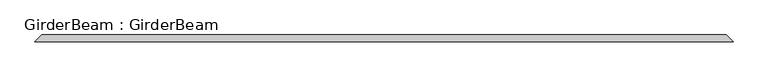
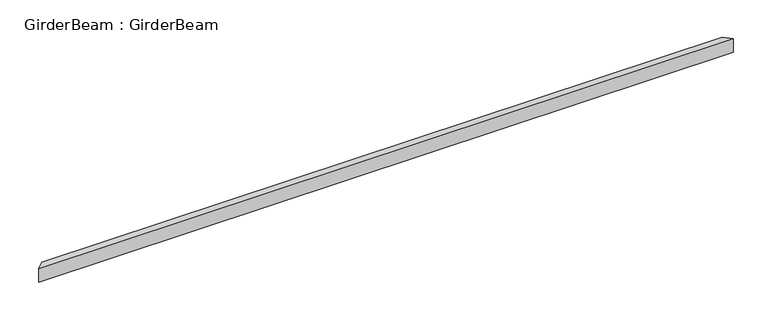
"""IFC4 building model written with IfcOpenShell, lengths in millimetres: beam geometry, GirderBeam : GirderBeam."""

import ifcopenshell
import ifcopenshell.guid

model = None  # the IFC model being written
_history = None  # IfcOwnerHistory: only IFC2X3 demands one
_inside = {}  # id of a spatial element -> (the spatial element, [elements in it])
_under = {}  # id of a project, library or spatial element -> (it, [spatial elements below it])
_declared = {}  # id of a project -> (the project, [libraries it declares])
_typed = {}  # id of a type object -> (the type object, [elements of that type])
_made_of = {}  # id of a material, layer set ... -> (it, [elements and type objects made of it])


def new_model(schema):
    """Start an empty IFC model of exactly this schema.

    Asked for "IFC4X3", IfcOpenShell would pick the latest addendum, in which some entities
    have other attributes; the version numbers below select the first issue.
    IFC2X3 requires an IfcOwnerHistory on every rooted entity: one is made here for all.
    """
    global model, _history
    if schema == "IFC4X3":
        model = ifcopenshell.file(schema_version=(4, 3, 0, 0))
    else:
        model = ifcopenshell.file(schema=schema)
    _inside.clear()
    _under.clear()
    _declared.clear()
    _typed.clear()
    _made_of.clear()
    _history = None
    if model.schema == "IFC2X3":
        org = make("IfcOrganization", Name="unknown")
        user = make(
            "IfcPersonAndOrganization",
            ThePerson=make("IfcPerson", FamilyName="unknown"),
            TheOrganization=org,
        )
        app = make(
            "IfcApplication",
            ApplicationDeveloper=org,
            Version="unknown",
            ApplicationFullName="unknown",
            ApplicationIdentifier="unknown",
        )
        _history = make(
            "IfcOwnerHistory",
            OwningUser=user,
            OwningApplication=app,
            ChangeAction="ADDED",
            CreationDate=0,
        )
    return model


def make(cls, **values):
    """One entity of the class cls with the attributes given. An attribute that is None is left unset."""
    return model.create_entity(
        cls, **{name: value for name, value in values.items() if value is not None}
    )


def rooted(cls, **values):
    """An entity with a GlobalId (a new one), such as an element, a storey or a relation."""
    return make(cls, GlobalId=ifcopenshell.guid.new(), OwnerHistory=_history, **values)


def si_unit(unit_type, name, prefix=None):
    """IfcSIUnit, for example si_unit("LENGTHUNIT", "METRE", prefix="MILLI")."""
    return make("IfcSIUnit", UnitType=unit_type, Prefix=prefix, Name=name)


def assignment(units):
    """IfcUnitAssignment: the units of a project."""
    return None if units is None else make("IfcUnitAssignment", Units=units)


def point(xyz):
    """IfcCartesianPoint."""
    return None if xyz is None else make("IfcCartesianPoint", Coordinates=xyz)


def direction(xyz):
    """IfcDirection."""
    return None if xyz is None else make("IfcDirection", DirectionRatios=xyz)


def frame(location, z_axis=None, x_axis=None):
    """IfcAxis2Placement3D, a coordinate frame: its origin and axes. An axis left out is left unset."""
    return make(
        "IfcAxis2Placement3D",
        Location=point(location),
        Axis=direction(z_axis),
        RefDirection=direction(x_axis),
    )


def origin():
    """The frame at (0, 0, 0) with its axes left unset."""
    return frame((0.0, 0.0, 0.0))


def place(relative_to, where):
    """IfcLocalPlacement: puts the frame where relative to a parent placement (None: the world)."""
    return make(
        "IfcLocalPlacement", PlacementRelTo=relative_to, RelativePlacement=where
    )


def context(
    kind, dimensions, precision=None, world=None, true_north=None, identifier=None
):
    """IfcGeometricRepresentationContext, for example the 3D "Model" context."""
    return make(
        "IfcGeometricRepresentationContext",
        ContextIdentifier=identifier,
        ContextType=kind,
        CoordinateSpaceDimension=dimensions,
        Precision=precision,
        WorldCoordinateSystem=world,
        TrueNorth=true_north,
    )


def project(units=None, contexts=None):
    """IfcProject with its units and contexts."""
    return rooted(
        "IfcProject",
        Name="project",
        RepresentationContexts=contexts,
        UnitsInContext=assignment(units),
    )


def spatial(cls, under=None, at=None, **own):
    """A site, building, storey or space (cls), placed at a placement, below another one or the project."""
    s = rooted(cls, ObjectPlacement=at, **own)
    if under is not None:
        _under.setdefault(under.id(), (under, []))[1].append(s)
    return s


def polyline(points):
    """IfcPolyline through the points."""
    return make("IfcPolyline", Points=[point(p) for p in points])


def outline(outer, holes=None, kind="AREA"):
    """IfcArbitraryClosedProfileDef: a profile drawn as a closed curve; with holes, ...WithVoids."""
    if holes is None:
        return make("IfcArbitraryClosedProfileDef", ProfileType=kind, OuterCurve=outer)
    return make(
        "IfcArbitraryProfileDefWithVoids",
        ProfileType=kind,
        OuterCurve=outer,
        InnerCurves=holes,
    )


def extrude(swept, where, along, depth):
    """IfcExtrudedAreaSolid: the profile swept, set in the frame where, extruded along a direction by depth."""
    return make(
        "IfcExtrudedAreaSolid",
        SweptArea=swept,
        Position=where,
        ExtrudedDirection=direction(along),
        Depth=depth,
    )


def shape(context_of_items, identifier, shape_type, items):
    """IfcShapeRepresentation: the items that make up one representation, for example the "Body"."""
    return make(
        "IfcShapeRepresentation",
        ContextOfItems=context_of_items,
        RepresentationIdentifier=identifier,
        RepresentationType=shape_type,
        Items=items,
    )


def source(mapping_origin, context_of_items, identifier, shape_type, items):
    """IfcRepresentationMap: a shape defined once, which mapped items show again and again."""
    return make(
        "IfcRepresentationMap",
        MappingOrigin=mapping_origin,
        MappedRepresentation=shape(context_of_items, identifier, shape_type, items),
    )


def transform(
    local_origin,
    x_axis=None,
    y_axis=None,
    z_axis=None,
    scale=None,
    scale2=None,
    scale3=None,
    uniform=True,
):
    """IfcCartesianTransformationOperator3D, or its non-uniform kind. x_axis, y_axis, z_axis: its Axis1, 2, 3."""
    if uniform:
        return make(
            "IfcCartesianTransformationOperator3D",
            Axis1=direction(x_axis),
            Axis2=direction(y_axis),
            LocalOrigin=point(local_origin),
            Scale=scale,
            Axis3=direction(z_axis),
        )
    return make(
        "IfcCartesianTransformationOperator3DnonUniform",
        Axis1=direction(x_axis),
        Axis2=direction(y_axis),
        LocalOrigin=point(local_origin),
        Scale=scale,
        Axis3=direction(z_axis),
        Scale2=scale2,
        Scale3=scale3,
    )


def mapped(mapping_source, mapping_target):
    """IfcMappedItem: shows the shape of a source again, moved by a transform."""
    return make(
        "IfcMappedItem", MappingSource=mapping_source, MappingTarget=mapping_target
    )


def made_of(thing, what):
    """Note that an element or type object is made of a material, layer set ...; save() writes the relation."""
    if what is not None:
        _made_of.setdefault(what.id(), (what, []))[1].append(thing)
    return thing


def element(
    cls,
    number,
    at=None,
    inside=None,
    cuts=None,
    type_object=None,
    material=None,
    context=None,
    identifier="Body",
    shape_type=None,
    held_by="IfcProductDefinitionShape",
    body=None,
    shapes=None,
    **own,
):
    """One element of the class cls, such as IfcWall. Its Tag is "e" and its number.

    at: its placement. inside: the storey or other place that contains it. cuts: it is an
    opening in that element (IfcRelVoidsElement). A single representation is given by context,
    identifier, shape_type and body (its items); several are given by shapes. held_by: the class
    of the entity that holds the representations. save() writes the other relations.
    """
    e = rooted(cls, Tag="e%d" % number, ObjectPlacement=at, **own)
    if body is not None:
        shapes = [shape(context, identifier, shape_type, body)]
    if shapes is not None:
        e.Representation = make(held_by, Representations=shapes)
    if inside is not None:
        _inside.setdefault(inside.id(), (inside, []))[1].append(e)
    if cuts is not None:
        rooted(
            "IfcRelVoidsElement", RelatingBuildingElement=cuts, RelatedOpeningElement=e
        )
    if type_object is not None:
        _typed.setdefault(type_object.id(), (type_object, []))[1].append(e)
    return made_of(e, material)


def aggregate(whole, parts):
    """IfcRelAggregates: a whole, such as a stair, and the parts it consists of."""
    return rooted("IfcRelAggregates", RelatingObject=whole, RelatedObjects=parts)


def save(model, path):
    """Write the relations noted so far, then the file.

    IfcRelAggregates (storeys below a building ...), IfcRelContainedInSpatialStructure (elements
    in a storey), IfcRelDefinesByType, IfcRelAssociatesMaterial and IfcRelDeclares: one each for
    every whole, place, type object, material and project.
    """
    for whole, parts in _under.values():
        aggregate(whole, parts)
    for where, things in _inside.values():
        rooted(
            "IfcRelContainedInSpatialStructure",
            RelatedElements=things,
            RelatingStructure=where,
        )
    for kind, things in _typed.values():
        rooted("IfcRelDefinesByType", RelatedObjects=things, RelatingType=kind)
    for what, things in _made_of.values():
        rooted("IfcRelAssociatesMaterial", RelatedObjects=things, RelatingMaterial=what)
    for by, libraries in _declared.values():
        rooted("IfcRelDeclares", RelatingContext=by, RelatedDefinitions=libraries)
    model.write(path)


def girderbeam_girderbeam_6e68f363(model_context):
    return source(origin(), model_context, "Body", "SweptSolid", [
        extrude(outline(polyline([(2431.4101615, 25.0), (2481.4101615, -25.0), (-2481.4101615, -25.0), (-2431.4101615, 25.0), (2431.4101615, 25.0)])), frame((0.0, 0.0, -221.2435565), z_axis=(0.0, 0.0, 1.0), x_axis=(1.0, 0.0, 0.0)), (0.0, 0.0, 1.0), 100.0),
    ])


if __name__ == "__main__":
    model = new_model("IFC4")
    model_context = context("Model", 3, world=origin())
    ifc_project = project(units=[si_unit("LENGTHUNIT", "METRE", prefix="MILLI")], contexts=[model_context])
    site = spatial("IfcSite", under=ifc_project)
    building = spatial("IfcBuilding", under=site)
    placement = place(None, origin())
    girderbeam_girderbeam_shape = girderbeam_girderbeam_6e68f363(model_context)
    element("IfcBeam", 1, ObjectType="GirderBeam : GirderBeam", at=placement, inside=building, context=model_context, shape_type="MappedRepresentation", body=[
        mapped(girderbeam_girderbeam_shape, transform((0.0, 0.0, 0.0), x_axis=(1.0, 0.0, 0.0), y_axis=(0.0, 1.0, 0.0), z_axis=(0.0, 0.0, 1.0))),
    ])
    save(model, "model.ifc")
